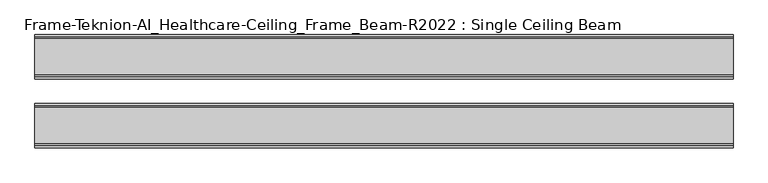
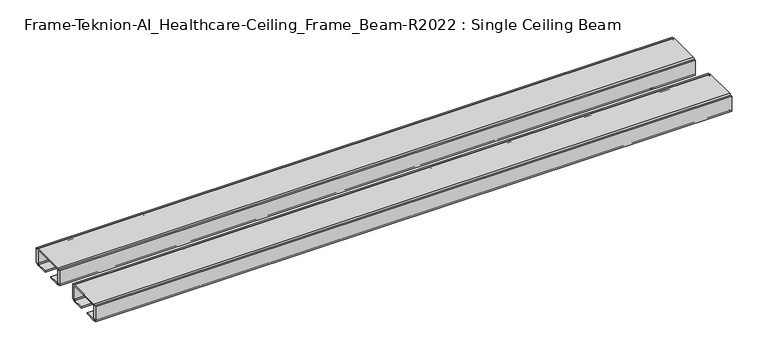
"""IFC4 building model written with IfcOpenShell, lengths in millimetres: furniture geometry, Frame-Teknion-AI_Healthcare-Ceiling_Frame_Beam-R2022 : Single Ceiling Beam."""

import ifcopenshell
import ifcopenshell.guid

model = None  # the IFC model being written
_history = None  # IfcOwnerHistory: only IFC2X3 demands one
_inside = {}  # id of a spatial element -> (the spatial element, [elements in it])
_under = {}  # id of a project, library or spatial element -> (it, [spatial elements below it])
_declared = {}  # id of a project -> (the project, [libraries it declares])
_typed = {}  # id of a type object -> (the type object, [elements of that type])
_made_of = {}  # id of a material, layer set ... -> (it, [elements and type objects made of it])


def new_model(schema):
    """Start an empty IFC model of exactly this schema.

    Asked for "IFC4X3", IfcOpenShell would pick the latest addendum, in which some entities
    have other attributes; the version numbers below select the first issue.
    IFC2X3 requires an IfcOwnerHistory on every rooted entity: one is made here for all.
    """
    global model, _history
    if schema == "IFC4X3":
        model = ifcopenshell.file(schema_version=(4, 3, 0, 0))
    else:
        model = ifcopenshell.file(schema=schema)
    _inside.clear()
    _under.clear()
    _declared.clear()
    _typed.clear()
    _made_of.clear()
    _history = None
    if model.schema == "IFC2X3":
        org = make("IfcOrganization", Name="unknown")
        user = make(
            "IfcPersonAndOrganization",
            ThePerson=make("IfcPerson", FamilyName="unknown"),
            TheOrganization=org,
        )
        app = make(
            "IfcApplication",
            ApplicationDeveloper=org,
            Version="unknown",
            ApplicationFullName="unknown",
            ApplicationIdentifier="unknown",
        )
        _history = make(
            "IfcOwnerHistory",
            OwningUser=user,
            OwningApplication=app,
            ChangeAction="ADDED",
            CreationDate=0,
        )
    return model


def make(cls, **values):
    """One entity of the class cls with the attributes given. An attribute that is None is left unset."""
    return model.create_entity(
        cls, **{name: value for name, value in values.items() if value is not None}
    )


def rooted(cls, **values):
    """An entity with a GlobalId (a new one), such as an element, a storey or a relation."""
    return make(cls, GlobalId=ifcopenshell.guid.new(), OwnerHistory=_history, **values)


def si_unit(unit_type, name, prefix=None):
    """IfcSIUnit, for example si_unit("LENGTHUNIT", "METRE", prefix="MILLI")."""
    return make("IfcSIUnit", UnitType=unit_type, Prefix=prefix, Name=name)


def assignment(units):
    """IfcUnitAssignment: the units of a project."""
    return None if units is None else make("IfcUnitAssignment", Units=units)


def point(xyz):
    """IfcCartesianPoint."""
    return None if xyz is None else make("IfcCartesianPoint", Coordinates=xyz)


def direction(xyz):
    """IfcDirection."""
    return None if xyz is None else make("IfcDirection", DirectionRatios=xyz)


def frame(location, z_axis=None, x_axis=None):
    """IfcAxis2Placement3D, a coordinate frame: its origin and axes. An axis left out is left unset."""
    return make(
        "IfcAxis2Placement3D",
        Location=point(location),
        Axis=direction(z_axis),
        RefDirection=direction(x_axis),
    )


def frame_2d(location, x_axis=None):
    """IfcAxis2Placement2D, a coordinate frame in the plane: its origin and x axis."""
    return make(
        "IfcAxis2Placement2D", Location=point(location), RefDirection=direction(x_axis)
    )


def origin():
    """The frame at (0, 0, 0) with its axes left unset."""
    return frame((0.0, 0.0, 0.0))


def place(relative_to, where):
    """IfcLocalPlacement: puts the frame where relative to a parent placement (None: the world)."""
    return make(
        "IfcLocalPlacement", PlacementRelTo=relative_to, RelativePlacement=where
    )


def context(
    kind, dimensions, precision=None, world=None, true_north=None, identifier=None
):
    """IfcGeometricRepresentationContext, for example the 3D "Model" context."""
    return make(
        "IfcGeometricRepresentationContext",
        ContextIdentifier=identifier,
        ContextType=kind,
        CoordinateSpaceDimension=dimensions,
        Precision=precision,
        WorldCoordinateSystem=world,
        TrueNorth=true_north,
    )


def project(units=None, contexts=None):
    """IfcProject with its units and contexts."""
    return rooted(
        "IfcProject",
        Name="project",
        RepresentationContexts=contexts,
        UnitsInContext=assignment(units),
    )


def spatial(cls, under=None, at=None, **own):
    """A site, building, storey or space (cls), placed at a placement, below another one or the project."""
    s = rooted(cls, ObjectPlacement=at, **own)
    if under is not None:
        _under.setdefault(under.id(), (under, []))[1].append(s)
    return s


def polyline(points):
    """IfcPolyline through the points."""
    return make("IfcPolyline", Points=[point(p) for p in points])


def circle_curve(where, radius):
    """IfcCircle in the frame where."""
    return make("IfcCircle", Position=where, Radius=radius)


def trimmed(basis, trim1, trim2, sense, master):
    """IfcTrimmedCurve: the piece of a basis curve between two trims."""
    return make(
        "IfcTrimmedCurve",
        BasisCurve=basis,
        Trim1=trim1,
        Trim2=trim2,
        SenseAgreement=sense,
        MasterRepresentation=master,
    )


def segment(curve, same_sense, transition):
    """IfcCompositeCurveSegment."""
    return make(
        "IfcCompositeCurveSegment",
        Transition=transition,
        SameSense=same_sense,
        ParentCurve=curve,
    )


def composite_curve(segments, self_intersect=None):
    """IfcCompositeCurve: segments joined end to end."""
    return make("IfcCompositeCurve", Segments=segments, SelfIntersect=self_intersect)


def outline(outer, holes=None, kind="AREA"):
    """IfcArbitraryClosedProfileDef: a profile drawn as a closed curve; with holes, ...WithVoids."""
    if holes is None:
        return make("IfcArbitraryClosedProfileDef", ProfileType=kind, OuterCurve=outer)
    return make(
        "IfcArbitraryProfileDefWithVoids",
        ProfileType=kind,
        OuterCurve=outer,
        InnerCurves=holes,
    )


def extrude(swept, where, along, depth):
    """IfcExtrudedAreaSolid: the profile swept, set in the frame where, extruded along a direction by depth."""
    return make(
        "IfcExtrudedAreaSolid",
        SweptArea=swept,
        Position=where,
        ExtrudedDirection=direction(along),
        Depth=depth,
    )


def shape(context_of_items, identifier, shape_type, items):
    """IfcShapeRepresentation: the items that make up one representation, for example the "Body"."""
    return make(
        "IfcShapeRepresentation",
        ContextOfItems=context_of_items,
        RepresentationIdentifier=identifier,
        RepresentationType=shape_type,
        Items=items,
    )


def source(mapping_origin, context_of_items, identifier, shape_type, items):
    """IfcRepresentationMap: a shape defined once, which mapped items show again and again."""
    return make(
        "IfcRepresentationMap",
        MappingOrigin=mapping_origin,
        MappedRepresentation=shape(context_of_items, identifier, shape_type, items),
    )


def transform(
    local_origin,
    x_axis=None,
    y_axis=None,
    z_axis=None,
    scale=None,
    scale2=None,
    scale3=None,
    uniform=True,
):
    """IfcCartesianTransformationOperator3D, or its non-uniform kind. x_axis, y_axis, z_axis: its Axis1, 2, 3."""
    if uniform:
        return make(
            "IfcCartesianTransformationOperator3D",
            Axis1=direction(x_axis),
            Axis2=direction(y_axis),
            LocalOrigin=point(local_origin),
            Scale=scale,
            Axis3=direction(z_axis),
        )
    return make(
        "IfcCartesianTransformationOperator3DnonUniform",
        Axis1=direction(x_axis),
        Axis2=direction(y_axis),
        LocalOrigin=point(local_origin),
        Scale=scale,
        Axis3=direction(z_axis),
        Scale2=scale2,
        Scale3=scale3,
    )


def mapped(mapping_source, mapping_target):
    """IfcMappedItem: shows the shape of a source again, moved by a transform."""
    return make(
        "IfcMappedItem", MappingSource=mapping_source, MappingTarget=mapping_target
    )


def made_of(thing, what):
    """Note that an element or type object is made of a material, layer set ...; save() writes the relation."""
    if what is not None:
        _made_of.setdefault(what.id(), (what, []))[1].append(thing)
    return thing


def element(
    cls,
    number,
    at=None,
    inside=None,
    cuts=None,
    type_object=None,
    material=None,
    context=None,
    identifier="Body",
    shape_type=None,
    held_by="IfcProductDefinitionShape",
    body=None,
    shapes=None,
    **own,
):
    """One element of the class cls, such as IfcWall. Its Tag is "e" and its number.

    at: its placement. inside: the storey or other place that contains it. cuts: it is an
    opening in that element (IfcRelVoidsElement). A single representation is given by context,
    identifier, shape_type and body (its items); several are given by shapes. held_by: the class
    of the entity that holds the representations. save() writes the other relations.
    """
    e = rooted(cls, Tag="e%d" % number, ObjectPlacement=at, **own)
    if body is not None:
        shapes = [shape(context, identifier, shape_type, body)]
    if shapes is not None:
        e.Representation = make(held_by, Representations=shapes)
    if inside is not None:
        _inside.setdefault(inside.id(), (inside, []))[1].append(e)
    if cuts is not None:
        rooted(
            "IfcRelVoidsElement", RelatingBuildingElement=cuts, RelatedOpeningElement=e
        )
    if type_object is not None:
        _typed.setdefault(type_object.id(), (type_object, []))[1].append(e)
    return made_of(e, material)


def aggregate(whole, parts):
    """IfcRelAggregates: a whole, such as a stair, and the parts it consists of."""
    return rooted("IfcRelAggregates", RelatingObject=whole, RelatedObjects=parts)


def save(model, path):
    """Write the relations noted so far, then the file.

    IfcRelAggregates (storeys below a building ...), IfcRelContainedInSpatialStructure (elements
    in a storey), IfcRelDefinesByType, IfcRelAssociatesMaterial and IfcRelDeclares: one each for
    every whole, place, type object, material and project.
    """
    for whole, parts in _under.values():
        aggregate(whole, parts)
    for where, things in _inside.values():
        rooted(
            "IfcRelContainedInSpatialStructure",
            RelatedElements=things,
            RelatingStructure=where,
        )
    for kind, things in _typed.values():
        rooted("IfcRelDefinesByType", RelatedObjects=things, RelatingType=kind)
    for what, things in _made_of.values():
        rooted("IfcRelAssociatesMaterial", RelatedObjects=things, RelatingMaterial=what)
    for by, libraries in _declared.values():
        rooted("IfcRelDeclares", RelatingContext=by, RelatedDefinitions=libraries)
    model.write(path)


def frame_teknion_ai_healthcare_ceiling_frame_beam_r2022_single_e6044218(model_context):
    return source(origin(), model_context, "Body", "SweptSolid", [
        extrude(outline(composite_curve([segment(polyline([(82.1812471, 1573.5046), (79.0062502, 1573.5046), (79.0062502, 1574.6129989)]), True, "CONTINUOUS"), segment(trimmed(circle_curve(frame_2d((76.5932502, 1574.6129989)), 2.413), [point((79.0062502, 1574.6129989))], [point((76.5932502, 1572.199999))], False, "CARTESIAN"), True, "CONTINUOUS"), segment(polyline([(76.5932502, 1572.199999), (57.9437458, 1572.199999), (57.9437458, 1574.4859991), (75.4502513, 1574.4859991)]), True, "CONTINUOUS"), segment(trimmed(circle_curve(frame_2d((75.4502513, 1576.0099999)), 1.5240008), [point((75.4502513, 1574.4859991))], [point((76.9742521, 1576.0099999))], True, "CARTESIAN"), True, "CONTINUOUS"), segment(polyline([(76.9742521, 1576.0099999), (76.9742521, 1597.1520009)]), True, "CONTINUOUS"), segment(trimmed(circle_curve(frame_2d((75.9582531, 1597.1520009)), 1.015999), [point((76.9742521, 1597.1520009))], [point((75.9582531, 1598.168))], True, "CARTESIAN"), True, "CONTINUOUS"), segment(polyline([(75.9582531, 1598.168), (24.0542492, 1598.168)]), True, "CONTINUOUS"), segment(trimmed(circle_curve(frame_2d((24.0542492, 1597.1520009)), 1.015999), [point((24.0542492, 1598.168))], [point((23.0382502, 1597.1520009))], True, "CARTESIAN"), True, "CONTINUOUS"), segment(polyline([(23.0382502, 1597.1520009), (23.0382502, 1576.0099999)]), True, "CONTINUOUS"), segment(trimmed(circle_curve(frame_2d((24.562251, 1576.0099999)), 1.5240008), [point((23.0382502, 1576.0099999))], [point((24.562251, 1574.4859991))], True, "CARTESIAN"), True, "CONTINUOUS"), segment(polyline([(24.562251, 1574.4859991), (42.0687564, 1574.4859991), (42.0687564, 1572.199999), (23.4192521, 1572.199999)]), True, "CONTINUOUS"), segment(trimmed(circle_curve(frame_2d((23.4192521, 1574.6129989)), 2.413), [point((23.4192521, 1572.199999))], [point((21.0062521, 1574.6129989))], False, "CARTESIAN"), True, "CONTINUOUS"), segment(polyline([(21.0062521, 1574.6129989), (21.0062521, 1573.5046), (17.8312551, 1573.5046), (17.8312551, 1598.9045998), (21.0062521, 1598.9045998), (21.0062521, 1597.787)]), True, "CONTINUOUS"), segment(trimmed(circle_curve(frame_2d((23.4192521, 1597.787)), 2.413), [point((21.0062521, 1597.787))], [point((23.4192521, 1600.2))], False, "CARTESIAN"), True, "CONTINUOUS"), segment(polyline([(23.4192521, 1600.2), (76.5932502, 1600.2)]), True, "CONTINUOUS"), segment(trimmed(circle_curve(frame_2d((76.5932502, 1597.787)), 2.413), [point((76.5932502, 1600.2))], [point((79.0062502, 1597.787))], False, "CARTESIAN"), True, "CONTINUOUS"), segment(polyline([(79.0062502, 1597.787), (79.0062502, 1598.9045998), (82.1812471, 1598.9045998), (82.1812471, 1573.5046)]), True, "CONTINUOUS")], self_intersect=False)), frame((-506.1204, 0.0, 0.0), z_axis=(1.0, 0.0, 0.0), x_axis=(0.0, 1.0, 0.0)), (0.0, 0.0, 1.0), 1012.2408),
        extrude(outline(composite_curve([segment(polyline([(-82.1812471, 1573.5046), (-82.1812471, 1598.9045998), (-79.0062456, 1598.9045998), (-79.0062456, 1597.787)]), True, "CONTINUOUS"), segment(trimmed(circle_curve(frame_2d((-76.5932457, 1597.787)), 2.413), [point((-79.0062456, 1597.787))], [point((-76.5932457, 1600.2))], False, "CARTESIAN"), True, "CONTINUOUS"), segment(polyline([(-76.5932457, 1600.2), (-23.4192475, 1600.2)]), True, "CONTINUOUS"), segment(trimmed(circle_curve(frame_2d((-23.4192475, 1597.787)), 2.413), [point((-23.4192475, 1600.2))], [point((-21.0062476, 1597.787))], False, "CARTESIAN"), True, "CONTINUOUS"), segment(polyline([(-21.0062476, 1597.787), (-21.0062476, 1598.9045998), (-17.8312506, 1598.9045998), (-17.8312506, 1573.5046), (-21.0062476, 1573.5046), (-21.0062476, 1574.6129989)]), True, "CONTINUOUS"), segment(trimmed(circle_curve(frame_2d((-23.4192475, 1574.6129989)), 2.413), [point((-21.0062476, 1574.6129989))], [point((-23.4192475, 1572.199999))], False, "CARTESIAN"), True, "CONTINUOUS"), segment(polyline([(-23.4192475, 1572.199999), (-42.0687519, 1572.199999), (-42.0687519, 1574.4859991), (-24.5622464, 1574.4859991)]), True, "CONTINUOUS"), segment(trimmed(circle_curve(frame_2d((-24.5622464, 1576.0099999)), 1.5240008), [point((-24.5622464, 1574.4859991))], [point((-23.0382456, 1576.0099999))], True, "CARTESIAN"), True, "CONTINUOUS"), segment(polyline([(-23.0382456, 1576.0099999), (-23.0382456, 1597.1520009)]), True, "CONTINUOUS"), segment(trimmed(circle_curve(frame_2d((-24.0542446, 1597.1520009)), 1.015999), [point((-23.0382456, 1597.1520009))], [point((-24.0542446, 1598.168))], True, "CARTESIAN"), True, "CONTINUOUS"), segment(polyline([(-24.0542446, 1598.168), (-75.9582485, 1598.168)]), True, "CONTINUOUS"), segment(trimmed(circle_curve(frame_2d((-75.9582485, 1597.1520009)), 1.015999), [point((-75.9582485, 1598.168))], [point((-76.9742476, 1597.1520009))], True, "CARTESIAN"), True, "CONTINUOUS"), segment(polyline([(-76.9742476, 1597.1520009), (-76.9742476, 1576.0099999)]), True, "CONTINUOUS"), segment(trimmed(circle_curve(frame_2d((-75.4502468, 1576.0099999)), 1.5240008), [point((-76.9742476, 1576.0099999))], [point((-75.4502468, 1574.4859991))], True, "CARTESIAN"), True, "CONTINUOUS"), segment(polyline([(-75.4502468, 1574.4859991), (-57.9437413, 1574.4859991), (-57.9437413, 1572.199999), (-76.5932457, 1572.199999)]), True, "CONTINUOUS"), segment(trimmed(circle_curve(frame_2d((-76.5932457, 1574.6129989)), 2.413), [point((-76.5932457, 1572.199999))], [point((-79.0062456, 1574.6129989))], False, "CARTESIAN"), True, "CONTINUOUS"), segment(polyline([(-79.0062456, 1574.6129989), (-79.0062456, 1573.5046), (-82.1812471, 1573.5046)]), True, "CONTINUOUS")], self_intersect=False)), frame((-506.1204, 0.0, 0.0), z_axis=(1.0, 0.0, 0.0), x_axis=(0.0, 1.0, 0.0)), (0.0, 0.0, 1.0), 1012.2408),
    ])


if __name__ == "__main__":
    model = new_model("IFC4")
    model_context = context("Model", 3, world=origin())
    ifc_project = project(units=[si_unit("LENGTHUNIT", "METRE", prefix="MILLI")], contexts=[model_context])
    site = spatial("IfcSite", under=ifc_project)
    building = spatial("IfcBuilding", under=site)
    placement = place(None, origin())
    frame_teknion_ai_healthcare_ceiling_frame_beam_r2022_single_shape = frame_teknion_ai_healthcare_ceiling_frame_beam_r2022_single_e6044218(model_context)
    element("IfcFurniture", 1, ObjectType="Frame-Teknion-AI_Healthcare-Ceiling_Frame_Beam-R2022 : Single Ceiling Beam", at=placement, inside=building, context=model_context, shape_type="MappedRepresentation", body=[
        mapped(frame_teknion_ai_healthcare_ceiling_frame_beam_r2022_single_shape, transform((0.0, 0.0, 0.0), x_axis=(1.0, 0.0, 0.0), y_axis=(0.0, 1.0, 0.0), z_axis=(0.0, 0.0, 1.0))),
    ])
    save(model, "model.ifc")
